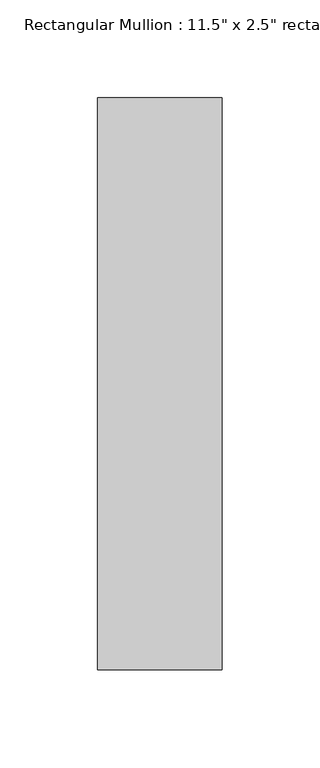
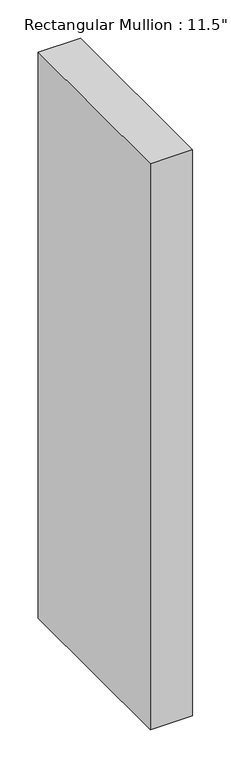
"""IFC4 building model written with IfcOpenShell, lengths in millimetres: member geometry."""

import ifcopenshell
import ifcopenshell.guid

model = None  # the IFC model being written
_history = None  # IfcOwnerHistory: only IFC2X3 demands one
_inside = {}  # id of a spatial element -> (the spatial element, [elements in it])
_under = {}  # id of a project, library or spatial element -> (it, [spatial elements below it])
_declared = {}  # id of a project -> (the project, [libraries it declares])
_typed = {}  # id of a type object -> (the type object, [elements of that type])
_made_of = {}  # id of a material, layer set ... -> (it, [elements and type objects made of it])


def new_model(schema):
    """Start an empty IFC model of exactly this schema.

    Asked for "IFC4X3", IfcOpenShell would pick the latest addendum, in which some entities
    have other attributes; the version numbers below select the first issue.
    IFC2X3 requires an IfcOwnerHistory on every rooted entity: one is made here for all.
    """
    global model, _history
    if schema == "IFC4X3":
        model = ifcopenshell.file(schema_version=(4, 3, 0, 0))
    else:
        model = ifcopenshell.file(schema=schema)
    _inside.clear()
    _under.clear()
    _declared.clear()
    _typed.clear()
    _made_of.clear()
    _history = None
    if model.schema == "IFC2X3":
        org = make("IfcOrganization", Name="unknown")
        user = make(
            "IfcPersonAndOrganization",
            ThePerson=make("IfcPerson", FamilyName="unknown"),
            TheOrganization=org,
        )
        app = make(
            "IfcApplication",
            ApplicationDeveloper=org,
            Version="unknown",
            ApplicationFullName="unknown",
            ApplicationIdentifier="unknown",
        )
        _history = make(
            "IfcOwnerHistory",
            OwningUser=user,
            OwningApplication=app,
            ChangeAction="ADDED",
            CreationDate=0,
        )
    return model


def make(cls, **values):
    """One entity of the class cls with the attributes given. An attribute that is None is left unset."""
    return model.create_entity(
        cls, **{name: value for name, value in values.items() if value is not None}
    )


def rooted(cls, **values):
    """An entity with a GlobalId (a new one), such as an element, a storey or a relation."""
    return make(cls, GlobalId=ifcopenshell.guid.new(), OwnerHistory=_history, **values)


def si_unit(unit_type, name, prefix=None):
    """IfcSIUnit, for example si_unit("LENGTHUNIT", "METRE", prefix="MILLI")."""
    return make("IfcSIUnit", UnitType=unit_type, Prefix=prefix, Name=name)


def assignment(units):
    """IfcUnitAssignment: the units of a project."""
    return None if units is None else make("IfcUnitAssignment", Units=units)


def point(xyz):
    """IfcCartesianPoint."""
    return None if xyz is None else make("IfcCartesianPoint", Coordinates=xyz)


def direction(xyz):
    """IfcDirection."""
    return None if xyz is None else make("IfcDirection", DirectionRatios=xyz)


def frame(location, z_axis=None, x_axis=None):
    """IfcAxis2Placement3D, a coordinate frame: its origin and axes. An axis left out is left unset."""
    return make(
        "IfcAxis2Placement3D",
        Location=point(location),
        Axis=direction(z_axis),
        RefDirection=direction(x_axis),
    )


def origin():
    """The frame at (0, 0, 0) with its axes left unset."""
    return frame((0.0, 0.0, 0.0))


def place(relative_to, where):
    """IfcLocalPlacement: puts the frame where relative to a parent placement (None: the world)."""
    return make(
        "IfcLocalPlacement", PlacementRelTo=relative_to, RelativePlacement=where
    )


def context(
    kind, dimensions, precision=None, world=None, true_north=None, identifier=None
):
    """IfcGeometricRepresentationContext, for example the 3D "Model" context."""
    return make(
        "IfcGeometricRepresentationContext",
        ContextIdentifier=identifier,
        ContextType=kind,
        CoordinateSpaceDimension=dimensions,
        Precision=precision,
        WorldCoordinateSystem=world,
        TrueNorth=true_north,
    )


def project(units=None, contexts=None):
    """IfcProject with its units and contexts."""
    return rooted(
        "IfcProject",
        Name="project",
        RepresentationContexts=contexts,
        UnitsInContext=assignment(units),
    )


def spatial(cls, under=None, at=None, **own):
    """A site, building, storey or space (cls), placed at a placement, below another one or the project."""
    s = rooted(cls, ObjectPlacement=at, **own)
    if under is not None:
        _under.setdefault(under.id(), (under, []))[1].append(s)
    return s


def polyline(points):
    """IfcPolyline through the points."""
    return make("IfcPolyline", Points=[point(p) for p in points])


def outline(outer, holes=None, kind="AREA"):
    """IfcArbitraryClosedProfileDef: a profile drawn as a closed curve; with holes, ...WithVoids."""
    if holes is None:
        return make("IfcArbitraryClosedProfileDef", ProfileType=kind, OuterCurve=outer)
    return make(
        "IfcArbitraryProfileDefWithVoids",
        ProfileType=kind,
        OuterCurve=outer,
        InnerCurves=holes,
    )


def extrude(swept, where, along, depth):
    """IfcExtrudedAreaSolid: the profile swept, set in the frame where, extruded along a direction by depth."""
    return make(
        "IfcExtrudedAreaSolid",
        SweptArea=swept,
        Position=where,
        ExtrudedDirection=direction(along),
        Depth=depth,
    )


def shape(context_of_items, identifier, shape_type, items):
    """IfcShapeRepresentation: the items that make up one representation, for example the "Body"."""
    return make(
        "IfcShapeRepresentation",
        ContextOfItems=context_of_items,
        RepresentationIdentifier=identifier,
        RepresentationType=shape_type,
        Items=items,
    )


def source(mapping_origin, context_of_items, identifier, shape_type, items):
    """IfcRepresentationMap: a shape defined once, which mapped items show again and again."""
    return make(
        "IfcRepresentationMap",
        MappingOrigin=mapping_origin,
        MappedRepresentation=shape(context_of_items, identifier, shape_type, items),
    )


def transform(
    local_origin,
    x_axis=None,
    y_axis=None,
    z_axis=None,
    scale=None,
    scale2=None,
    scale3=None,
    uniform=True,
):
    """IfcCartesianTransformationOperator3D, or its non-uniform kind. x_axis, y_axis, z_axis: its Axis1, 2, 3."""
    if uniform:
        return make(
            "IfcCartesianTransformationOperator3D",
            Axis1=direction(x_axis),
            Axis2=direction(y_axis),
            LocalOrigin=point(local_origin),
            Scale=scale,
            Axis3=direction(z_axis),
        )
    return make(
        "IfcCartesianTransformationOperator3DnonUniform",
        Axis1=direction(x_axis),
        Axis2=direction(y_axis),
        LocalOrigin=point(local_origin),
        Scale=scale,
        Axis3=direction(z_axis),
        Scale2=scale2,
        Scale3=scale3,
    )


def mapped(mapping_source, mapping_target):
    """IfcMappedItem: shows the shape of a source again, moved by a transform."""
    return make(
        "IfcMappedItem", MappingSource=mapping_source, MappingTarget=mapping_target
    )


def made_of(thing, what):
    """Note that an element or type object is made of a material, layer set ...; save() writes the relation."""
    if what is not None:
        _made_of.setdefault(what.id(), (what, []))[1].append(thing)
    return thing


def element(
    cls,
    number,
    at=None,
    inside=None,
    cuts=None,
    type_object=None,
    material=None,
    context=None,
    identifier="Body",
    shape_type=None,
    held_by="IfcProductDefinitionShape",
    body=None,
    shapes=None,
    **own,
):
    """One element of the class cls, such as IfcWall. Its Tag is "e" and its number.

    at: its placement. inside: the storey or other place that contains it. cuts: it is an
    opening in that element (IfcRelVoidsElement). A single representation is given by context,
    identifier, shape_type and body (its items); several are given by shapes. held_by: the class
    of the entity that holds the representations. save() writes the other relations.
    """
    e = rooted(cls, Tag="e%d" % number, ObjectPlacement=at, **own)
    if body is not None:
        shapes = [shape(context, identifier, shape_type, body)]
    if shapes is not None:
        e.Representation = make(held_by, Representations=shapes)
    if inside is not None:
        _inside.setdefault(inside.id(), (inside, []))[1].append(e)
    if cuts is not None:
        rooted(
            "IfcRelVoidsElement", RelatingBuildingElement=cuts, RelatedOpeningElement=e
        )
    if type_object is not None:
        _typed.setdefault(type_object.id(), (type_object, []))[1].append(e)
    return made_of(e, material)


def aggregate(whole, parts):
    """IfcRelAggregates: a whole, such as a stair, and the parts it consists of."""
    return rooted("IfcRelAggregates", RelatingObject=whole, RelatedObjects=parts)


def save(model, path):
    """Write the relations noted so far, then the file.

    IfcRelAggregates (storeys below a building ...), IfcRelContainedInSpatialStructure (elements
    in a storey), IfcRelDefinesByType, IfcRelAssociatesMaterial and IfcRelDeclares: one each for
    every whole, place, type object, material and project.
    """
    for whole, parts in _under.values():
        aggregate(whole, parts)
    for where, things in _inside.values():
        rooted(
            "IfcRelContainedInSpatialStructure",
            RelatedElements=things,
            RelatingStructure=where,
        )
    for kind, things in _typed.values():
        rooted("IfcRelDefinesByType", RelatedObjects=things, RelatingType=kind)
    for what, things in _made_of.values():
        rooted("IfcRelAssociatesMaterial", RelatedObjects=things, RelatingMaterial=what)
    for by, libraries in _declared.values():
        rooted("IfcRelDeclares", RelatingContext=by, RelatedDefinitions=libraries)
    model.write(path)


def member_b9bb909e(model_context):
    return source(origin(), model_context, "Body", "SweptSolid", [
        extrude(outline(polyline([(0.0, 88.9), (0.0, -203.2), (-63.5, -203.2), (-63.5, 88.9), (0.0, 88.9)])), frame((0.0, 0.0, -898.476294), z_axis=(0.0, 0.0, 1.0), x_axis=(1.0, 0.0, 0.0)), (0.0, 0.0, 1.0), 898.476294),
    ])


if __name__ == "__main__":
    model = new_model("IFC4")
    model_context = context("Model", 3, world=origin())
    ifc_project = project(units=[si_unit("LENGTHUNIT", "METRE", prefix="MILLI")], contexts=[model_context])
    site = spatial("IfcSite", under=ifc_project)
    building = spatial("IfcBuilding", under=site)
    placement = place(None, origin())
    member_shape = member_b9bb909e(model_context)
    element("IfcMember", 1, ObjectType="Rectangular Mullion : 11.5\" x 2.5\" rectangular", at=placement, inside=building, context=model_context, shape_type="MappedRepresentation", body=[
        mapped(member_shape, transform((0.0, 0.0, 0.0), x_axis=(1.0, 0.0, 0.0), y_axis=(0.0, 1.0, 0.0), z_axis=(0.0, 0.0, 1.0))),
    ])
    save(model, "model.ifc")
